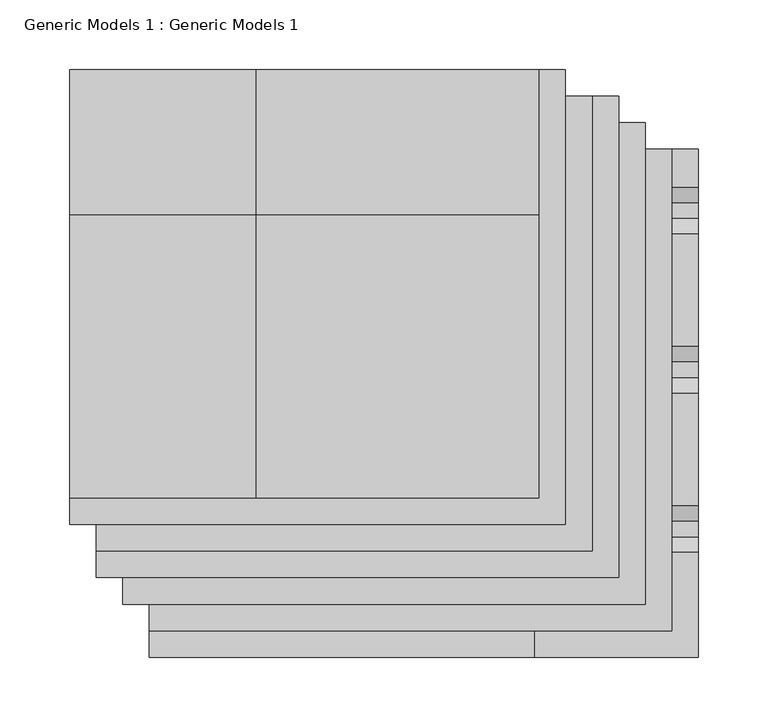
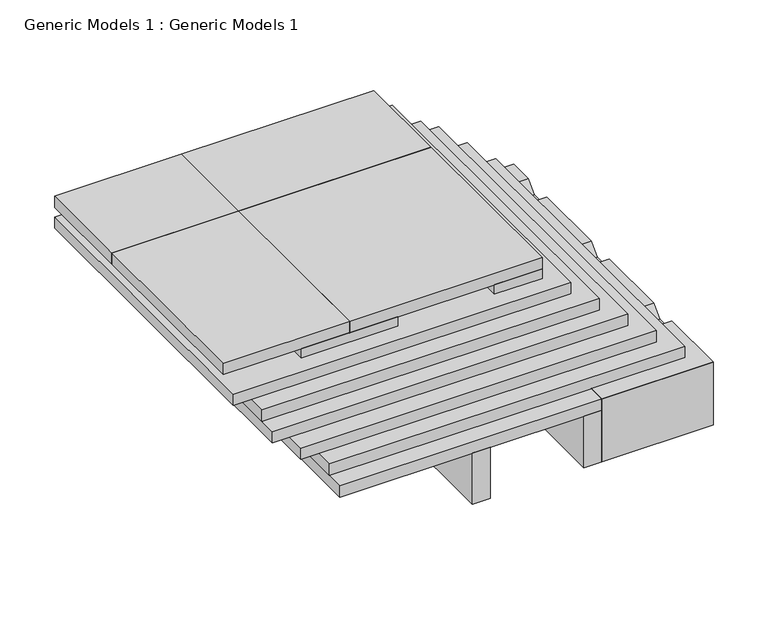
"""IFC4 building model written with IfcOpenShell, lengths in millimetres: proxy geometry, Generic Models 1 : Generic Models 1."""

import ifcopenshell
import ifcopenshell.guid

model = None  # the IFC model being written
_history = None  # IfcOwnerHistory: only IFC2X3 demands one
_inside = {}  # id of a spatial element -> (the spatial element, [elements in it])
_under = {}  # id of a project, library or spatial element -> (it, [spatial elements below it])
_declared = {}  # id of a project -> (the project, [libraries it declares])
_typed = {}  # id of a type object -> (the type object, [elements of that type])
_made_of = {}  # id of a material, layer set ... -> (it, [elements and type objects made of it])


def new_model(schema):
    """Start an empty IFC model of exactly this schema.

    Asked for "IFC4X3", IfcOpenShell would pick the latest addendum, in which some entities
    have other attributes; the version numbers below select the first issue.
    IFC2X3 requires an IfcOwnerHistory on every rooted entity: one is made here for all.
    """
    global model, _history
    if schema == "IFC4X3":
        model = ifcopenshell.file(schema_version=(4, 3, 0, 0))
    else:
        model = ifcopenshell.file(schema=schema)
    _inside.clear()
    _under.clear()
    _declared.clear()
    _typed.clear()
    _made_of.clear()
    _history = None
    if model.schema == "IFC2X3":
        org = make("IfcOrganization", Name="unknown")
        user = make(
            "IfcPersonAndOrganization",
            ThePerson=make("IfcPerson", FamilyName="unknown"),
            TheOrganization=org,
        )
        app = make(
            "IfcApplication",
            ApplicationDeveloper=org,
            Version="unknown",
            ApplicationFullName="unknown",
            ApplicationIdentifier="unknown",
        )
        _history = make(
            "IfcOwnerHistory",
            OwningUser=user,
            OwningApplication=app,
            ChangeAction="ADDED",
            CreationDate=0,
        )
    return model


def make(cls, **values):
    """One entity of the class cls with the attributes given. An attribute that is None is left unset."""
    return model.create_entity(
        cls, **{name: value for name, value in values.items() if value is not None}
    )


def rooted(cls, **values):
    """An entity with a GlobalId (a new one), such as an element, a storey or a relation."""
    return make(cls, GlobalId=ifcopenshell.guid.new(), OwnerHistory=_history, **values)


def si_unit(unit_type, name, prefix=None):
    """IfcSIUnit, for example si_unit("LENGTHUNIT", "METRE", prefix="MILLI")."""
    return make("IfcSIUnit", UnitType=unit_type, Prefix=prefix, Name=name)


def assignment(units):
    """IfcUnitAssignment: the units of a project."""
    return None if units is None else make("IfcUnitAssignment", Units=units)


def point(xyz):
    """IfcCartesianPoint."""
    return None if xyz is None else make("IfcCartesianPoint", Coordinates=xyz)


def direction(xyz):
    """IfcDirection."""
    return None if xyz is None else make("IfcDirection", DirectionRatios=xyz)


def frame(location, z_axis=None, x_axis=None):
    """IfcAxis2Placement3D, a coordinate frame: its origin and axes. An axis left out is left unset."""
    return make(
        "IfcAxis2Placement3D",
        Location=point(location),
        Axis=direction(z_axis),
        RefDirection=direction(x_axis),
    )


def origin():
    """The frame at (0, 0, 0) with its axes left unset."""
    return frame((0.0, 0.0, 0.0))


def place(relative_to, where):
    """IfcLocalPlacement: puts the frame where relative to a parent placement (None: the world)."""
    return make(
        "IfcLocalPlacement", PlacementRelTo=relative_to, RelativePlacement=where
    )


def context(
    kind, dimensions, precision=None, world=None, true_north=None, identifier=None
):
    """IfcGeometricRepresentationContext, for example the 3D "Model" context."""
    return make(
        "IfcGeometricRepresentationContext",
        ContextIdentifier=identifier,
        ContextType=kind,
        CoordinateSpaceDimension=dimensions,
        Precision=precision,
        WorldCoordinateSystem=world,
        TrueNorth=true_north,
    )


def project(units=None, contexts=None):
    """IfcProject with its units and contexts."""
    return rooted(
        "IfcProject",
        Name="project",
        RepresentationContexts=contexts,
        UnitsInContext=assignment(units),
    )


def spatial(cls, under=None, at=None, **own):
    """A site, building, storey or space (cls), placed at a placement, below another one or the project."""
    s = rooted(cls, ObjectPlacement=at, **own)
    if under is not None:
        _under.setdefault(under.id(), (under, []))[1].append(s)
    return s


def polyline(points):
    """IfcPolyline through the points."""
    return make("IfcPolyline", Points=[point(p) for p in points])


def outline(outer, holes=None, kind="AREA"):
    """IfcArbitraryClosedProfileDef: a profile drawn as a closed curve; with holes, ...WithVoids."""
    if holes is None:
        return make("IfcArbitraryClosedProfileDef", ProfileType=kind, OuterCurve=outer)
    return make(
        "IfcArbitraryProfileDefWithVoids",
        ProfileType=kind,
        OuterCurve=outer,
        InnerCurves=holes,
    )


def extrude(swept, where, along, depth):
    """IfcExtrudedAreaSolid: the profile swept, set in the frame where, extruded along a direction by depth."""
    return make(
        "IfcExtrudedAreaSolid",
        SweptArea=swept,
        Position=where,
        ExtrudedDirection=direction(along),
        Depth=depth,
    )


def shape(context_of_items, identifier, shape_type, items):
    """IfcShapeRepresentation: the items that make up one representation, for example the "Body"."""
    return make(
        "IfcShapeRepresentation",
        ContextOfItems=context_of_items,
        RepresentationIdentifier=identifier,
        RepresentationType=shape_type,
        Items=items,
    )


def source(mapping_origin, context_of_items, identifier, shape_type, items):
    """IfcRepresentationMap: a shape defined once, which mapped items show again and again."""
    return make(
        "IfcRepresentationMap",
        MappingOrigin=mapping_origin,
        MappedRepresentation=shape(context_of_items, identifier, shape_type, items),
    )


def transform(
    local_origin,
    x_axis=None,
    y_axis=None,
    z_axis=None,
    scale=None,
    scale2=None,
    scale3=None,
    uniform=True,
):
    """IfcCartesianTransformationOperator3D, or its non-uniform kind. x_axis, y_axis, z_axis: its Axis1, 2, 3."""
    if uniform:
        return make(
            "IfcCartesianTransformationOperator3D",
            Axis1=direction(x_axis),
            Axis2=direction(y_axis),
            LocalOrigin=point(local_origin),
            Scale=scale,
            Axis3=direction(z_axis),
        )
    return make(
        "IfcCartesianTransformationOperator3DnonUniform",
        Axis1=direction(x_axis),
        Axis2=direction(y_axis),
        LocalOrigin=point(local_origin),
        Scale=scale,
        Axis3=direction(z_axis),
        Scale2=scale2,
        Scale3=scale3,
    )


def mapped(mapping_source, mapping_target):
    """IfcMappedItem: shows the shape of a source again, moved by a transform."""
    return make(
        "IfcMappedItem", MappingSource=mapping_source, MappingTarget=mapping_target
    )


def made_of(thing, what):
    """Note that an element or type object is made of a material, layer set ...; save() writes the relation."""
    if what is not None:
        _made_of.setdefault(what.id(), (what, []))[1].append(thing)
    return thing


def element(
    cls,
    number,
    at=None,
    inside=None,
    cuts=None,
    type_object=None,
    material=None,
    context=None,
    identifier="Body",
    shape_type=None,
    held_by="IfcProductDefinitionShape",
    body=None,
    shapes=None,
    **own,
):
    """One element of the class cls, such as IfcWall. Its Tag is "e" and its number.

    at: its placement. inside: the storey or other place that contains it. cuts: it is an
    opening in that element (IfcRelVoidsElement). A single representation is given by context,
    identifier, shape_type and body (its items); several are given by shapes. held_by: the class
    of the entity that holds the representations. save() writes the other relations.
    """
    e = rooted(cls, Tag="e%d" % number, ObjectPlacement=at, **own)
    if body is not None:
        shapes = [shape(context, identifier, shape_type, body)]
    if shapes is not None:
        e.Representation = make(held_by, Representations=shapes)
    if inside is not None:
        _inside.setdefault(inside.id(), (inside, []))[1].append(e)
    if cuts is not None:
        rooted(
            "IfcRelVoidsElement", RelatingBuildingElement=cuts, RelatedOpeningElement=e
        )
    if type_object is not None:
        _typed.setdefault(type_object.id(), (type_object, []))[1].append(e)
    return made_of(e, material)


def aggregate(whole, parts):
    """IfcRelAggregates: a whole, such as a stair, and the parts it consists of."""
    return rooted("IfcRelAggregates", RelatingObject=whole, RelatedObjects=parts)


def save(model, path):
    """Write the relations noted so far, then the file.

    IfcRelAggregates (storeys below a building ...), IfcRelContainedInSpatialStructure (elements
    in a storey), IfcRelDefinesByType, IfcRelAssociatesMaterial and IfcRelDeclares: one each for
    every whole, place, type object, material and project.
    """
    for whole, parts in _under.values():
        aggregate(whole, parts)
    for where, things in _inside.values():
        rooted(
            "IfcRelContainedInSpatialStructure",
            RelatedElements=things,
            RelatingStructure=where,
        )
    for kind, things in _typed.values():
        rooted("IfcRelDefinesByType", RelatedObjects=things, RelatingType=kind)
    for what, things in _made_of.values():
        rooted("IfcRelAssociatesMaterial", RelatedObjects=things, RelatingMaterial=what)
    for by, libraries in _declared.values():
        rooted("IfcRelDeclares", RelatingContext=by, RelatedDefinitions=libraries)
    model.write(path)


def generic_models_1_generic_models_1_113d69fe(model_context):
    return source(origin(), model_context, "Body", "SweptSolid", [
        extrude(outline(polyline([(76.2, 368.3), (177.8, 368.3), (177.8, 266.7), (76.2, 266.7), (76.2, 368.3)])), frame((0.0, 0.0, 165.89375), z_axis=(0.0, 0.0, 1.0), x_axis=(1.0, 0.0, 0.0)), (0.0, 0.0, 1.0), 10.31875),
        extrude(outline(polyline([(-158.75, 421.6788588), (-25.4, 421.6788588), (-25.4, 317.5), (-158.75, 317.5), (-158.75, 421.6788588)])), frame((0.0, 0.0, 176.2125), z_axis=(0.0, 0.0, 1.0), x_axis=(1.0, 0.0, 0.0)), (0.0, 0.0, 1.0), 12.7),
        extrude(outline(polyline([(-25.4, 421.6788588), (177.8, 421.6788588), (177.8, 317.5), (-25.4, 317.5), (-25.4, 421.6788588)])), frame((0.0, 0.0, 176.2125), z_axis=(0.0, 0.0, 1.0), x_axis=(1.0, 0.0, 0.0)), (0.0, 0.0, 1.0), 12.7),
        extrude(outline(polyline([(-76.2, 215.9), (25.4, 215.9), (25.4, 114.3), (-76.2, 114.3), (-76.2, 215.9)])), frame((0.0, 0.0, 165.89375), z_axis=(0.0, 0.0, 1.0), x_axis=(1.0, 0.0, 0.0)), (0.0, 0.0, 1.0), 10.31875),
        extrude(outline(polyline([(-158.75, 317.5), (-25.4, 317.5), (-25.4, 114.3), (-158.75, 114.3), (-158.75, 317.5)])), frame((0.0, 0.0, 176.2125), z_axis=(0.0, 0.0, 1.0), x_axis=(1.0, 0.0, 0.0)), (0.0, 0.0, 1.0), 12.7),
        extrude(outline(polyline([(127.0, 165.1), (177.8, 165.1), (177.8, 114.3), (127.0, 114.3), (127.0, 165.1)])), frame((0.0, 0.0, 165.89375), z_axis=(0.0, 0.0, 1.0), x_axis=(1.0, 0.0, 0.0)), (0.0, 0.0, 1.0), 10.31875),
        extrude(outline(polyline([(-139.7, 402.6288588), (215.9, 402.6288588), (215.9, 76.2), (-139.7, 76.2), (-139.7, 402.6288588)])), frame((0.0, 0.0, 140.49375), z_axis=(0.0, 0.0, 1.0), x_axis=(1.0, 0.0, 0.0)), (0.0, 0.0, 1.0), 12.7),
        extrude(outline(polyline([(-139.7, 402.6288588), (234.95, 402.6288588), (234.95, 57.15), (-139.7, 57.15), (-139.7, 402.6288588)])), frame((0.0, 0.0, 127.79375), z_axis=(0.0, 0.0, 1.0), x_axis=(1.0, 0.0, 0.0)), (0.0, 0.0, 1.0), 12.7),
        extrude(outline(polyline([(-120.65, 383.5788588), (254.0, 383.5788588), (254.0, 38.1), (-120.65, 38.1), (-120.65, 383.5788588)])), frame((0.0, 0.0, 114.3), z_axis=(0.0, 0.0, 1.0), x_axis=(1.0, 0.0, 0.0)), (0.0, 0.0, 1.0), 12.7),
        extrude(outline(polyline([(228.670593, 44.45), (196.920593, 76.2), (201.410721, 76.2), (231.845593, 45.7651281), (262.2804649, 76.2), (266.770593, 76.2), (235.020593, 44.45), (228.670593, 44.45)])), frame((287.3375, 0.0, 0.0), z_axis=(1.0, 0.0, 0.0), x_axis=(0.0, 1.0, 0.0)), (0.0, 0.0, 1.0), 3.175),
        extrude(outline(polyline([(110.7911863, 44.45), (79.0411863, 76.2), (83.5313144, 76.2), (113.9661863, 45.7651281), (144.4010583, 76.2), (148.8911863, 76.2), (117.1411863, 44.45), (110.7911863, 44.45)])), frame((287.3375, 0.0, 0.0), z_axis=(1.0, 0.0, 0.0), x_axis=(0.0, 1.0, 0.0)), (0.0, 0.0, 1.0), 3.175),
        extrude(outline(polyline([(364.5288588, 88.9), (364.5288588, 76.2), (25.4, 76.2), (12.7, 88.9), (364.5288588, 88.9)])), frame((285.75, 0.0, 0.0), z_axis=(1.0, 0.0, 0.0), x_axis=(0.0, 1.0, 0.0)), (0.0, 0.0, 1.0), 6.35),
        extrude(outline(polyline([(364.5288588, 31.75), (69.85, 31.75), (57.15, 44.45), (364.5288588, 44.45), (364.5288588, 31.75)])), frame((285.75, 0.0, 0.0), z_axis=(1.0, 0.0, 0.0), x_axis=(0.0, 1.0, 0.0)), (0.0, 0.0, 1.0), 6.35),
        extrude(outline(polyline([(75.3364053, 101.6), (86.4489053, 90.4875), (97.8337772, 90.4875), (108.9462772, 101.6), (189.6364053, 101.6), (200.7489053, 90.4875), (212.1337772, 90.4875), (223.2462772, 101.6), (303.9364053, 101.6), (315.0489053, 90.4875), (326.4337772, 90.4875), (337.5462772, 101.6), (364.5288588, 101.6), (364.5288588, 100.0125), (338.2038412, 100.0125), (327.0913412, 88.9), (314.3913412, 88.9), (303.2788412, 100.0125), (223.9038412, 100.0125), (212.7913412, 88.9), (200.0913412, 88.9), (188.9788412, 100.0125), (109.6038412, 100.0125), (98.4913412, 88.9), (85.7913412, 88.9), (74.6788412, 100.0125), (1.5875, 100.0125), (0.0, 101.6), (75.3364053, 101.6)])), frame((174.625, 0.0, 0.0), z_axis=(1.0, 0.0, 0.0), x_axis=(0.0, 1.0, 0.0)), (0.0, 0.0, 1.0), 117.475),
        extrude(outline(polyline([(0.0, 31.75), (0.0, 101.6), (69.85, 31.75), (0.0, 31.75)])), frame((174.625, 0.0, 0.0), z_axis=(1.0, 0.0, 0.0), x_axis=(0.0, 1.0, 0.0)), (0.0, 0.0, 1.0), 117.475),
        extrude(outline(polyline([(-25.4, 317.5), (177.8, 317.5), (177.8, 114.3), (-25.4, 114.3), (-25.4, 317.5)])), frame((0.0, 0.0, 176.2125), z_axis=(0.0, 0.0, 1.0), x_axis=(1.0, 0.0, 0.0)), (0.0, 0.0, 1.0), 12.7),
        extrude(outline(polyline([(-158.75, 421.6788588), (196.85, 421.6788588), (196.85, 95.25), (-158.75, 95.25), (-158.75, 421.6788588)])), frame((0.0, 0.0, 153.19375), z_axis=(0.0, 0.0, 1.0), x_axis=(1.0, 0.0, 0.0)), (0.0, 0.0, 1.0), 12.7),
        extrude(outline(polyline([(-101.6, 364.5288588), (273.05, 364.5288588), (273.05, 19.05), (-101.6, 19.05), (-101.6, 364.5288588)])), frame((0.0, 0.0, 101.6), z_axis=(0.0, 0.0, 1.0), x_axis=(1.0, 0.0, 0.0)), (0.0, 0.0, 1.0), 12.7),
        extrude(outline(polyline([(57.15, 0.0), (38.1, 0.0), (38.1, 261.3017557), (57.15, 261.3017557), (57.15, 0.0)])), frame((0.0, 0.0, 31.75), z_axis=(0.0, 0.0, 1.0), x_axis=(1.0, 0.0, 0.0)), (0.0, 0.0, 1.0), 57.15),
        extrude(outline(polyline([(174.625, 0.0), (155.575, 0.0), (155.575, 261.3017557), (174.625, 261.3017557), (174.625, 0.0)])), frame((0.0, 0.0, 31.75), z_axis=(0.0, 0.0, 1.0), x_axis=(1.0, 0.0, 0.0)), (0.0, 0.0, 1.0), 57.15),
        extrude(outline(polyline([(-101.6, 364.5288588), (174.625, 364.5288588), (174.625, 0.0), (-101.6, 0.0), (-101.6, 364.5288588)])), frame((0.0, 0.0, 88.9), z_axis=(0.0, 0.0, 1.0), x_axis=(1.0, 0.0, 0.0)), (0.0, 0.0, 1.0), 12.7),
    ])


if __name__ == "__main__":
    model = new_model("IFC4")
    model_context = context("Model", 3, world=origin())
    ifc_project = project(units=[si_unit("LENGTHUNIT", "METRE", prefix="MILLI")], contexts=[model_context])
    site = spatial("IfcSite", under=ifc_project)
    building = spatial("IfcBuilding", under=site)
    placement = place(None, origin())
    generic_models_1_generic_models_1_shape = generic_models_1_generic_models_1_113d69fe(model_context)
    element("IfcBuildingElementProxy", 1, Name="Generic Models 1 : Generic Models 1", ObjectType="Generic Models 1 : Generic Models 1", at=placement, inside=building, context=model_context, shape_type="MappedRepresentation", body=[
        mapped(generic_models_1_generic_models_1_shape, transform((0.0, 0.0, 0.0), x_axis=(1.0, 0.0, 0.0), y_axis=(0.0, 1.0, 0.0), z_axis=(0.0, 0.0, 1.0))),
    ])
    save(model, "model.ifc")
